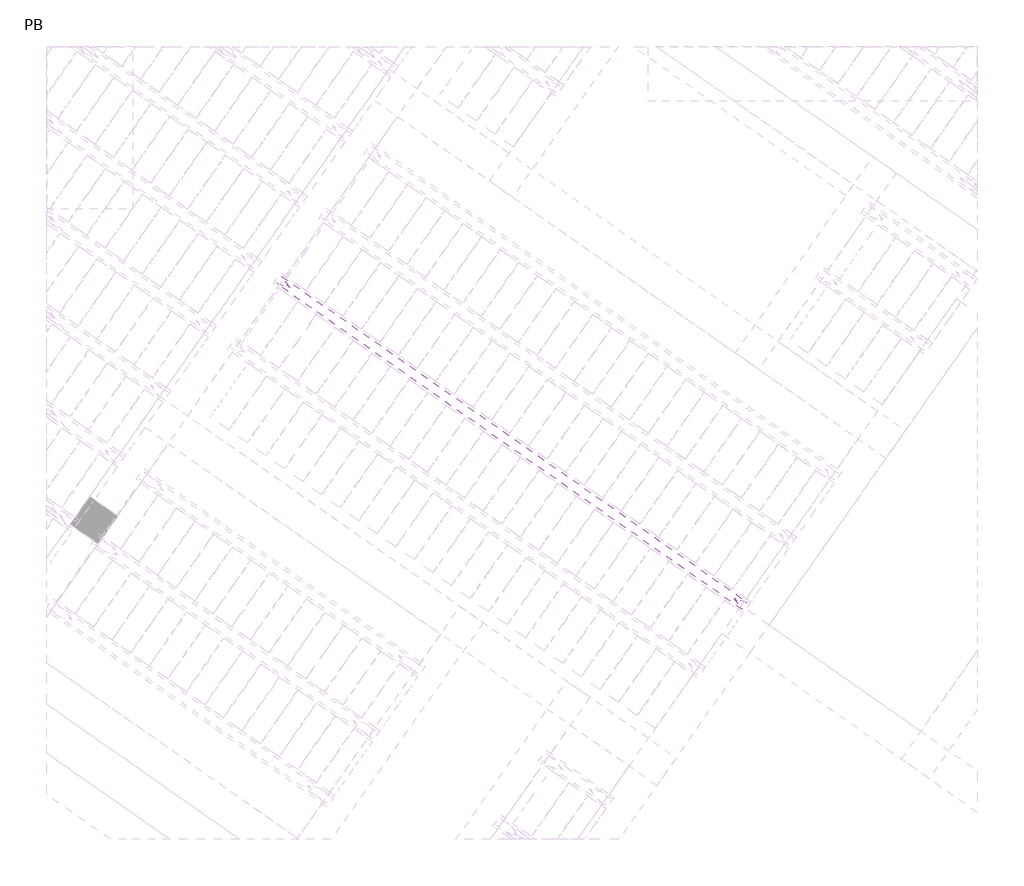
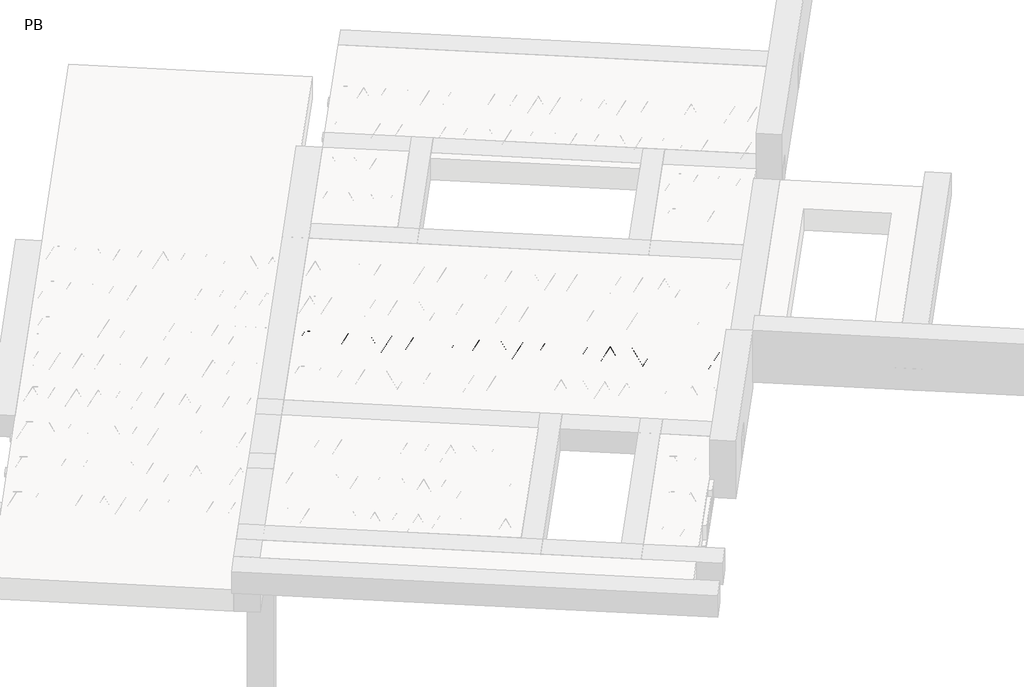
# One storey, part 21 of 56: 2 beams.
"""IFC4 building model written with IfcOpenShell, lengths in millimetres."""

from ifc_helpers import new_model, si_unit, point, frame, origin, origin_2d, place, context, project, spatial, polyline, circle_curve, trimmed, segment, composite_curve, outline, extrude, element, save

model = new_model("IFC4")

# Units and contexts
model_context = context("Model", 3, world=origin())
ifc_project = project(units=[si_unit("LENGTHUNIT", "METRE", prefix="MILLI")], contexts=[model_context])

# Site, building, storey
site = spatial("IfcSite", under=ifc_project)
building = spatial("IfcBuilding", under=site)
storey = spatial("IfcBuildingStorey", under=building, Name="PB", Elevation=95940.0)

# Beams
placement = place(None, origin())
element("IfcBeam", 1, at=placement, inside=storey, context=model_context, shape_type="SweptSolid", body=[
    extrude(outline(polyline([(3726.9826, 4349.0983498), (3795.8117724, 4447.3965951), (7945.2707155, 1541.9141634), (7876.4415431, 1443.6159181), (3726.9826, 4349.0983498)])), frame((0.0, 0.0, 99220.0), z_axis=(0.0, 0.0, 1.0), x_axis=(1.0, 0.0, 0.0)), (0.0, 0.0, 1.0), 50.0),
])
element("IfcBeam", 2, at=placement, inside=storey, context=model_context, shape_type="SweptSolid", body=[
    extrude(outline(composite_curve([segment(trimmed(circle_curve(origin_2d(), 2.5), [point((-2.5, 0.0))], [point((2.4999999, 0.0))], False, "CARTESIAN"), True, "CONTINUOUS"), segment(trimmed(circle_curve(origin_2d(), 2.5), [point((2.4999999, 0.0))], [point((-2.5, 0.0))], False, "CARTESIAN"), True, "CONTINUOUS")], self_intersect=False)), frame((7870.5477286, 1477.0414016, 99245.0), z_axis=(-0.8191520442696126, 0.5735764363787226, 0.0), x_axis=(0.5735764363787226, 0.8191520442696126, 0.0)), (0.0, 0.0, 1.0), 5017.554035),
    extrude(outline(composite_curve([segment(trimmed(circle_curve(origin_2d(), 2.5), [point((-2.5, 0.0))], [point((2.5, 0.0))], False, "CARTESIAN"), True, "CONTINUOUS"), segment(trimmed(circle_curve(origin_2d(), 2.5), [point((2.5, 0.0))], [point((-2.5, 0.0))], False, "CARTESIAN"), True, "CONTINUOUS")], self_intersect=False)), frame((7822.5703652, 1554.5833983, 99470.0), z_axis=(-0.8191520442696126, 0.5735764363787226, 0.0), x_axis=(0.5735764363787226, 0.8191520442696126, 0.0)), (0.0, 0.0, 1.0), 4850.0),
    extrude(outline(composite_curve([segment(trimmed(circle_curve(origin_2d(), 2.5), [point((-2.5, 0.0))], [point((2.5, 0.0))], False, "CARTESIAN"), True, "CONTINUOUS"), segment(trimmed(circle_curve(origin_2d(), 2.5), [point((2.5, 0.0))], [point((-2.5, 0.0))], False, "CARTESIAN"), True, "CONTINUOUS")], self_intersect=False)), frame((7863.3580168, 1482.075692, 99245.0), z_axis=(-0.3145304735701046, 0.38933448886848654, 0.8657304643902053), x_axis=(0.7778747638402499, 0.6284193279813057, 0.0)), (0.0, 0.0, 1.0), 259.8961331),
    extrude(outline(composite_curve([segment(trimmed(circle_curve(origin_2d(), 2.5), [point((2.5, 0.0))], [point((-2.5, 1e-07))], False, "CARTESIAN"), True, "CONTINUOUS"), segment(trimmed(circle_curve(origin_2d(), 2.5), [point((-2.5, 1e-07))], [point((2.5, 0.0))], False, "CARTESIAN"), True, "CONTINUOUS")], self_intersect=False)), frame((7658.5700057, 1625.4698011, 99245.0), z_axis=(0.47343050384693375, -0.16240172737369005, 0.8657304643902051), x_axis=(-0.3244721671091268, -0.9458952440791246, 0.0)), (0.0, 0.0, 1.0), 259.8961331),
    extrude(outline(composite_curve([segment(trimmed(circle_curve(origin_2d(), 2.5), [point((-2.5, 0.0))], [point((2.5, 0.0))], False, "CARTESIAN"), True, "CONTINUOUS"), segment(trimmed(circle_curve(origin_2d(), 2.5), [point((2.5, 0.0))], [point((-2.5, 0.0))], False, "CARTESIAN"), True, "CONTINUOUS")], self_intersect=False)), frame((7658.5700057, 1625.4698011, 99245.0), z_axis=(-0.3145304735701046, 0.38933448886848654, 0.8657304643902053), x_axis=(0.7778747638402499, 0.6284193279813057, 0.0)), (0.0, 0.0, 1.0), 259.8961331),
    extrude(outline(composite_curve([segment(trimmed(circle_curve(origin_2d(), 2.5), [point((2.5, 0.0))], [point((-2.5, 0.0))], False, "CARTESIAN"), True, "CONTINUOUS"), segment(trimmed(circle_curve(origin_2d(), 2.5), [point((-2.5, 0.0))], [point((2.5, 0.0))], False, "CARTESIAN"), True, "CONTINUOUS")], self_intersect=False)), frame((7453.7819947, 1768.8639102, 99245.0), z_axis=(0.47343050384693375, -0.16240172737369005, 0.8657304643902051), x_axis=(-0.3244721671091268, -0.9458952440791246, 0.0)), (0.0, 0.0, 1.0), 259.8961331),
    extrude(outline(composite_curve([segment(trimmed(circle_curve(origin_2d(), 2.5), [point((-2.5, 0.0))], [point((2.5, 0.0))], False, "CARTESIAN"), True, "CONTINUOUS"), segment(trimmed(circle_curve(origin_2d(), 2.5), [point((2.5, 0.0))], [point((-2.5, 0.0))], False, "CARTESIAN"), True, "CONTINUOUS")], self_intersect=False)), frame((7453.7819947, 1768.8639102, 99245.0), z_axis=(-0.3145304735701046, 0.38933448886848654, 0.8657304643902053), x_axis=(0.7778747638402499, 0.6284193279813057, 0.0)), (0.0, 0.0, 1.0), 259.8961331),
    extrude(outline(composite_curve([segment(trimmed(circle_curve(origin_2d(), 2.5), [point((2.5, 0.0))], [point((-2.5, 0.0))], False, "CARTESIAN"), True, "CONTINUOUS"), segment(trimmed(circle_curve(origin_2d(), 2.5), [point((-2.5, 0.0))], [point((2.5, 0.0))], False, "CARTESIAN"), True, "CONTINUOUS")], self_intersect=False)), frame((7248.9939836, 1912.2580193, 99245.0), z_axis=(0.47343050384693375, -0.16240172737369005, 0.8657304643902051), x_axis=(-0.3244721671091268, -0.9458952440791246, 0.0)), (0.0, 0.0, 1.0), 259.8961331),
    extrude(outline(composite_curve([segment(trimmed(circle_curve(origin_2d(), 2.5), [point((-2.5, 0.0))], [point((2.5, 0.0))], False, "CARTESIAN"), True, "CONTINUOUS"), segment(trimmed(circle_curve(origin_2d(), 2.5), [point((2.5, 0.0))], [point((-2.5, 0.0))], False, "CARTESIAN"), True, "CONTINUOUS")], self_intersect=False)), frame((7248.9939836, 1912.2580193, 99245.0), z_axis=(-0.3145304735701046, 0.38933448886848654, 0.8657304643902053), x_axis=(0.7778747638402499, 0.6284193279813057, 0.0)), (0.0, 0.0, 1.0), 259.8961331),
    extrude(outline(composite_curve([segment(trimmed(circle_curve(origin_2d(), 2.5), [point((2.5, 0.0))], [point((-2.5, 1e-07))], False, "CARTESIAN"), True, "CONTINUOUS"), segment(trimmed(circle_curve(origin_2d(), 2.5), [point((-2.5, 1e-07))], [point((2.5, 0.0))], False, "CARTESIAN"), True, "CONTINUOUS")], self_intersect=False)), frame((7044.2059725, 2055.6521284, 99245.0), z_axis=(0.47343050384693375, -0.16240172737369005, 0.8657304643902051), x_axis=(-0.3244721671091268, -0.9458952440791246, 0.0)), (0.0, 0.0, 1.0), 259.8961331),
    extrude(outline(composite_curve([segment(trimmed(circle_curve(origin_2d(), 2.5), [point((-2.5, 0.0))], [point((2.5, 1e-07))], False, "CARTESIAN"), True, "CONTINUOUS"), segment(trimmed(circle_curve(origin_2d(), 2.5), [point((2.5, 1e-07))], [point((-2.5, 0.0))], False, "CARTESIAN"), True, "CONTINUOUS")], self_intersect=False)), frame((7044.2059729, 2055.6521281, 99245.0), z_axis=(-0.3145304735701046, 0.38933448886848654, 0.8657304643902053), x_axis=(0.7778747638402499, 0.6284193279813057, 0.0)), (0.0, 0.0, 1.0), 259.8961331),
    extrude(outline(composite_curve([segment(trimmed(circle_curve(origin_2d(), 2.5), [point((2.5, 0.0))], [point((-2.5, 0.0))], False, "CARTESIAN"), True, "CONTINUOUS"), segment(trimmed(circle_curve(origin_2d(), 2.5), [point((-2.5, 0.0))], [point((2.5, 0.0))], False, "CARTESIAN"), True, "CONTINUOUS")], self_intersect=False)), frame((6839.4179618, 2199.0462372, 99245.0), z_axis=(0.47343050384693375, -0.16240172737369005, 0.8657304643902051), x_axis=(-0.3244721671091268, -0.9458952440791246, 0.0)), (0.0, 0.0, 1.0), 259.8961331),
    extrude(outline(composite_curve([segment(trimmed(circle_curve(origin_2d(), 2.5), [point((-2.5, 0.0))], [point((2.5, 1e-07))], False, "CARTESIAN"), True, "CONTINUOUS"), segment(trimmed(circle_curve(origin_2d(), 2.5), [point((2.5, 1e-07))], [point((-2.5, 0.0))], False, "CARTESIAN"), True, "CONTINUOUS")], self_intersect=False)), frame((6839.4179618, 2199.0462372, 99245.0), z_axis=(-0.3145304735701046, 0.38933448886848654, 0.8657304643902053), x_axis=(0.7778747638402499, 0.6284193279813057, 0.0)), (0.0, 0.0, 1.0), 259.8961331),
    extrude(outline(composite_curve([segment(trimmed(circle_curve(origin_2d(), 2.5), [point((2.5, 0.0))], [point((-2.5, 0.0))], False, "CARTESIAN"), True, "CONTINUOUS"), segment(trimmed(circle_curve(origin_2d(), 2.5), [point((-2.5, 0.0))], [point((2.5, 0.0))], False, "CARTESIAN"), True, "CONTINUOUS")], self_intersect=False)), frame((6634.6299507, 2342.4403463, 99245.0), z_axis=(0.47343050384693375, -0.16240172737369005, 0.8657304643902051), x_axis=(-0.3244721671091268, -0.9458952440791246, 0.0)), (0.0, 0.0, 1.0), 259.8961331),
    extrude(outline(composite_curve([segment(trimmed(circle_curve(origin_2d(), 2.5), [point((-2.5, 0.0))], [point((2.5, 0.0))], False, "CARTESIAN"), True, "CONTINUOUS"), segment(trimmed(circle_curve(origin_2d(), 2.5), [point((2.5, 0.0))], [point((-2.5, 0.0))], False, "CARTESIAN"), True, "CONTINUOUS")], self_intersect=False)), frame((6634.6299507, 2342.4403463, 99245.0), z_axis=(-0.3145304735701046, 0.38933448886848654, 0.8657304643902053), x_axis=(0.7778747638402499, 0.6284193279813057, 0.0)), (0.0, 0.0, 1.0), 259.8961331),
    extrude(outline(composite_curve([segment(trimmed(circle_curve(origin_2d(), 2.5), [point((2.5, -1e-07))], [point((-2.5, 0.0))], False, "CARTESIAN"), True, "CONTINUOUS"), segment(trimmed(circle_curve(origin_2d(), 2.5), [point((-2.5, 0.0))], [point((2.5, -1e-07))], False, "CARTESIAN"), True, "CONTINUOUS")], self_intersect=False)), frame((6429.8419397, 2485.8344554, 99245.0), z_axis=(0.47343050384693375, -0.16240172737369005, 0.8657304643902051), x_axis=(-0.3244721671091268, -0.9458952440791246, 0.0)), (0.0, 0.0, 1.0), 259.8961331),
    extrude(outline(composite_curve([segment(trimmed(circle_curve(origin_2d(), 2.5), [point((-2.5, 0.0))], [point((2.5, 0.0))], False, "CARTESIAN"), True, "CONTINUOUS"), segment(trimmed(circle_curve(origin_2d(), 2.5), [point((2.5, 0.0))], [point((-2.5, 0.0))], False, "CARTESIAN"), True, "CONTINUOUS")], self_intersect=False)), frame((6429.8419397, 2485.8344554, 99245.0), z_axis=(-0.3145304735701046, 0.38933448886848654, 0.8657304643902053), x_axis=(0.7778747638402499, 0.6284193279813057, 0.0)), (0.0, 0.0, 1.0), 259.8961331),
    extrude(outline(composite_curve([segment(trimmed(circle_curve(origin_2d(), 2.5), [point((2.5, 0.0))], [point((-2.5, 0.0))], False, "CARTESIAN"), True, "CONTINUOUS"), segment(trimmed(circle_curve(origin_2d(), 2.5), [point((-2.5, 0.0))], [point((2.5, 0.0))], False, "CARTESIAN"), True, "CONTINUOUS")], self_intersect=False)), frame((6225.0539286, 2629.2285645, 99245.0), z_axis=(0.47343050384693375, -0.16240172737369005, 0.8657304643902051), x_axis=(-0.3244721671091268, -0.9458952440791246, 0.0)), (0.0, 0.0, 1.0), 259.8961331),
    extrude(outline(composite_curve([segment(trimmed(circle_curve(origin_2d(), 2.5), [point((-2.5, 0.0))], [point((2.5, 0.0))], False, "CARTESIAN"), True, "CONTINUOUS"), segment(trimmed(circle_curve(origin_2d(), 2.5), [point((2.5, 0.0))], [point((-2.5, 0.0))], False, "CARTESIAN"), True, "CONTINUOUS")], self_intersect=False)), frame((6225.0539286, 2629.2285645, 99245.0), z_axis=(-0.3145304735701046, 0.38933448886848654, 0.8657304643902053), x_axis=(0.7778747638402499, 0.6284193279813057, 0.0)), (0.0, 0.0, 1.0), 259.8961331),
    extrude(outline(composite_curve([segment(trimmed(circle_curve(origin_2d(), 2.5), [point((2.5, 0.0))], [point((-2.5, 0.0))], False, "CARTESIAN"), True, "CONTINUOUS"), segment(trimmed(circle_curve(origin_2d(), 2.5), [point((-2.5, 0.0))], [point((2.5, 0.0))], False, "CARTESIAN"), True, "CONTINUOUS")], self_intersect=False)), frame((6020.2659175, 2772.6226736, 99245.0), z_axis=(0.47343050384693375, -0.16240172737369005, 0.8657304643902051), x_axis=(-0.3244721671091268, -0.9458952440791246, 0.0)), (0.0, 0.0, 1.0), 259.8961331),
    extrude(outline(composite_curve([segment(trimmed(circle_curve(origin_2d(), 2.5), [point((-2.5, 0.0))], [point((2.5, 0.0))], False, "CARTESIAN"), True, "CONTINUOUS"), segment(trimmed(circle_curve(origin_2d(), 2.5), [point((2.5, 0.0))], [point((-2.5, 0.0))], False, "CARTESIAN"), True, "CONTINUOUS")], self_intersect=False)), frame((6020.2659175, 2772.6226736, 99245.0), z_axis=(-0.3145304735701046, 0.38933448886848654, 0.8657304643902053), x_axis=(0.7778747638402499, 0.6284193279813057, 0.0)), (0.0, 0.0, 1.0), 259.8961331),
    extrude(outline(composite_curve([segment(trimmed(circle_curve(origin_2d(), 2.5), [point((2.5, -1e-07))], [point((-2.5, 0.0))], False, "CARTESIAN"), True, "CONTINUOUS"), segment(trimmed(circle_curve(origin_2d(), 2.5), [point((-2.5, 0.0))], [point((2.5, -1e-07))], False, "CARTESIAN"), True, "CONTINUOUS")], self_intersect=False)), frame((5815.4779065, 2916.0167827, 99245.0), z_axis=(0.47343050384693375, -0.16240172737369005, 0.8657304643902051), x_axis=(-0.3244721671091268, -0.9458952440791246, 0.0)), (0.0, 0.0, 1.0), 259.8961331),
    extrude(outline(composite_curve([segment(trimmed(circle_curve(origin_2d(), 2.5), [point((-2.5000001, 1e-07))], [point((2.5, 0.0))], False, "CARTESIAN"), True, "CONTINUOUS"), segment(trimmed(circle_curve(origin_2d(), 2.5), [point((2.5, 0.0))], [point((-2.5000001, 1e-07))], False, "CARTESIAN"), True, "CONTINUOUS")], self_intersect=False)), frame((5815.4779065, 2916.0167827, 99245.0), z_axis=(-0.3145304735701046, 0.38933448886848654, 0.8657304643902053), x_axis=(0.7778747638402499, 0.6284193279813057, 0.0)), (0.0, 0.0, 1.0), 259.8961331),
    extrude(outline(composite_curve([segment(trimmed(circle_curve(origin_2d(), 2.5), [point((2.5, 0.0))], [point((-2.5, 0.0))], False, "CARTESIAN"), True, "CONTINUOUS"), segment(trimmed(circle_curve(origin_2d(), 2.5), [point((-2.5, 0.0))], [point((2.5, 0.0))], False, "CARTESIAN"), True, "CONTINUOUS")], self_intersect=False)), frame((5610.6898954, 3059.4108918, 99245.0), z_axis=(0.47343050384693375, -0.16240172737369005, 0.8657304643902051), x_axis=(-0.3244721671091268, -0.9458952440791246, 0.0)), (0.0, 0.0, 1.0), 259.8961331),
    extrude(outline(composite_curve([segment(trimmed(circle_curve(origin_2d(), 2.5), [point((-2.5, 0.0))], [point((2.5, 0.0))], False, "CARTESIAN"), True, "CONTINUOUS"), segment(trimmed(circle_curve(origin_2d(), 2.5), [point((2.5, 0.0))], [point((-2.5, 0.0))], False, "CARTESIAN"), True, "CONTINUOUS")], self_intersect=False)), frame((5610.6898954, 3059.4108918, 99245.0), z_axis=(-0.3145304735701046, 0.38933448886848654, 0.8657304643902053), x_axis=(0.7778747638402499, 0.6284193279813057, 0.0)), (0.0, 0.0, 1.0), 259.8961331),
    extrude(outline(composite_curve([segment(trimmed(circle_curve(origin_2d(), 2.5), [point((2.5, 0.0))], [point((-2.5, 0.0))], False, "CARTESIAN"), True, "CONTINUOUS"), segment(trimmed(circle_curve(origin_2d(), 2.5), [point((-2.5, 0.0))], [point((2.5, 0.0))], False, "CARTESIAN"), True, "CONTINUOUS")], self_intersect=False)), frame((5405.9018843, 3202.8050009, 99245.0), z_axis=(0.47343050384693375, -0.16240172737369005, 0.8657304643902051), x_axis=(-0.3244721671091268, -0.9458952440791246, 0.0)), (0.0, 0.0, 1.0), 259.8961331),
    extrude(outline(composite_curve([segment(trimmed(circle_curve(origin_2d(), 2.5), [point((-2.5, 0.0))], [point((2.5, 0.0))], False, "CARTESIAN"), True, "CONTINUOUS"), segment(trimmed(circle_curve(origin_2d(), 2.5), [point((2.5, 0.0))], [point((-2.5, 0.0))], False, "CARTESIAN"), True, "CONTINUOUS")], self_intersect=False)), frame((5405.9018843, 3202.8050009, 99245.0), z_axis=(-0.3145304735701046, 0.38933448886848654, 0.8657304643902053), x_axis=(0.7778747638402499, 0.6284193279813057, 0.0)), (0.0, 0.0, 1.0), 259.8961331),
    extrude(outline(composite_curve([segment(trimmed(circle_curve(origin_2d(), 2.5), [point((2.5, -1e-07))], [point((-2.5, 0.0))], False, "CARTESIAN"), True, "CONTINUOUS"), segment(trimmed(circle_curve(origin_2d(), 2.5), [point((-2.5, 0.0))], [point((2.5, -1e-07))], False, "CARTESIAN"), True, "CONTINUOUS")], self_intersect=False)), frame((5201.1138733, 3346.19911, 99245.0), z_axis=(0.47343050384693375, -0.16240172737369005, 0.8657304643902051), x_axis=(-0.3244721671091268, -0.9458952440791246, 0.0)), (0.0, 0.0, 1.0), 259.8961331),
    extrude(outline(composite_curve([segment(trimmed(circle_curve(origin_2d(), 2.5), [point((-2.5000001, 1e-07))], [point((2.5, 0.0))], False, "CARTESIAN"), True, "CONTINUOUS"), segment(trimmed(circle_curve(origin_2d(), 2.5), [point((2.5, 0.0))], [point((-2.5000001, 1e-07))], False, "CARTESIAN"), True, "CONTINUOUS")], self_intersect=False)), frame((5201.1138733, 3346.19911, 99245.0), z_axis=(-0.3145304735701046, 0.38933448886848654, 0.8657304643902053), x_axis=(0.7778747638402499, 0.6284193279813057, 0.0)), (0.0, 0.0, 1.0), 259.8961331),
    extrude(outline(composite_curve([segment(trimmed(circle_curve(origin_2d(), 2.5), [point((2.5, 0.0))], [point((-2.5, 0.0))], False, "CARTESIAN"), True, "CONTINUOUS"), segment(trimmed(circle_curve(origin_2d(), 2.5), [point((-2.5, 0.0))], [point((2.5, 0.0))], False, "CARTESIAN"), True, "CONTINUOUS")], self_intersect=False)), frame((4996.3258622, 3489.5932191, 99245.0), z_axis=(0.47343050384693375, -0.16240172737369005, 0.8657304643902051), x_axis=(-0.3244721671091268, -0.9458952440791246, 0.0)), (0.0, 0.0, 1.0), 259.8961331),
    extrude(outline(composite_curve([segment(trimmed(circle_curve(origin_2d(), 2.5), [point((-2.5, 0.0))], [point((2.5, 0.0))], False, "CARTESIAN"), True, "CONTINUOUS"), segment(trimmed(circle_curve(origin_2d(), 2.5), [point((2.5, 0.0))], [point((-2.5, 0.0))], False, "CARTESIAN"), True, "CONTINUOUS")], self_intersect=False)), frame((4996.3258622, 3489.5932191, 99245.0), z_axis=(-0.3145304735701046, 0.38933448886848654, 0.8657304643902053), x_axis=(0.7778747638402499, 0.6284193279813057, 0.0)), (0.0, 0.0, 1.0), 259.8961331),
    extrude(outline(composite_curve([segment(trimmed(circle_curve(origin_2d(), 2.5), [point((2.5, 0.0))], [point((-2.5, 0.0))], False, "CARTESIAN"), True, "CONTINUOUS"), segment(trimmed(circle_curve(origin_2d(), 2.5), [point((-2.5, 0.0))], [point((2.5, 0.0))], False, "CARTESIAN"), True, "CONTINUOUS")], self_intersect=False)), frame((4791.5378511, 3632.9873282, 99245.0), z_axis=(0.47343050384693375, -0.16240172737369005, 0.8657304643902051), x_axis=(-0.3244721671091268, -0.9458952440791246, 0.0)), (0.0, 0.0, 1.0), 259.8961331),
    extrude(outline(composite_curve([segment(trimmed(circle_curve(origin_2d(), 2.5), [point((-2.5, 0.0))], [point((2.5, 0.0))], False, "CARTESIAN"), True, "CONTINUOUS"), segment(trimmed(circle_curve(origin_2d(), 2.5), [point((2.5, 0.0))], [point((-2.5, 0.0))], False, "CARTESIAN"), True, "CONTINUOUS")], self_intersect=False)), frame((4791.5378511, 3632.9873282, 99245.0), z_axis=(-0.3145304735701046, 0.38933448886848654, 0.8657304643902053), x_axis=(0.7778747638402499, 0.6284193279813057, 0.0)), (0.0, 0.0, 1.0), 259.8961331),
    extrude(outline(composite_curve([segment(trimmed(circle_curve(origin_2d(), 2.5), [point((2.5, -1e-07))], [point((-2.5, 0.0))], False, "CARTESIAN"), True, "CONTINUOUS"), segment(trimmed(circle_curve(origin_2d(), 2.5), [point((-2.5, 0.0))], [point((2.5, -1e-07))], False, "CARTESIAN"), True, "CONTINUOUS")], self_intersect=False)), frame((4586.7498401, 3776.3814373, 99245.0), z_axis=(0.47343050384693375, -0.16240172737369005, 0.8657304643902051), x_axis=(-0.3244721671091268, -0.9458952440791246, 0.0)), (0.0, 0.0, 1.0), 259.8961331),
    extrude(outline(composite_curve([segment(trimmed(circle_curve(origin_2d(), 2.5), [point((-2.5000001, 1e-07))], [point((2.5, 0.0))], False, "CARTESIAN"), True, "CONTINUOUS"), segment(trimmed(circle_curve(origin_2d(), 2.5), [point((2.5, 0.0))], [point((-2.5000001, 1e-07))], False, "CARTESIAN"), True, "CONTINUOUS")], self_intersect=False)), frame((4586.7498401, 3776.3814373, 99245.0), z_axis=(-0.3145304735701046, 0.38933448886848654, 0.8657304643902053), x_axis=(0.7778747638402499, 0.6284193279813057, 0.0)), (0.0, 0.0, 1.0), 259.8961331),
    extrude(outline(composite_curve([segment(trimmed(circle_curve(origin_2d(), 2.5), [point((2.5, 0.0))], [point((-2.5, 0.0))], False, "CARTESIAN"), True, "CONTINUOUS"), segment(trimmed(circle_curve(origin_2d(), 2.5), [point((-2.5, 0.0))], [point((2.5, 0.0))], False, "CARTESIAN"), True, "CONTINUOUS")], self_intersect=False)), frame((4381.961829, 3919.7755464, 99245.0), z_axis=(0.47343050384693375, -0.16240172737369005, 0.8657304643902051), x_axis=(-0.3244721671091268, -0.9458952440791246, 0.0)), (0.0, 0.0, 1.0), 259.8961331),
    extrude(outline(composite_curve([segment(trimmed(circle_curve(origin_2d(), 2.5), [point((-2.5, -1e-07))], [point((2.5, 0.0))], False, "CARTESIAN"), True, "CONTINUOUS"), segment(trimmed(circle_curve(origin_2d(), 2.5), [point((2.5, 0.0))], [point((-2.5, -1e-07))], False, "CARTESIAN"), True, "CONTINUOUS")], self_intersect=False)), frame((4381.961829, 3919.7755464, 99245.0), z_axis=(-0.3145304735701046, 0.38933448886848654, 0.8657304643902053), x_axis=(0.7778747638402499, 0.6284193279813057, 0.0)), (0.0, 0.0, 1.0), 259.8961331),
    extrude(outline(composite_curve([segment(trimmed(circle_curve(origin_2d(), 2.5), [point((2.5, 0.0))], [point((-2.5, 0.0))], False, "CARTESIAN"), True, "CONTINUOUS"), segment(trimmed(circle_curve(origin_2d(), 2.5), [point((-2.5, 0.0))], [point((2.5, 0.0))], False, "CARTESIAN"), True, "CONTINUOUS")], self_intersect=False)), frame((4177.1738179, 4063.1696555, 99245.0), z_axis=(0.47343050384693375, -0.16240172737369005, 0.8657304643902051), x_axis=(-0.3244721671091268, -0.9458952440791246, 0.0)), (0.0, 0.0, 1.0), 259.8961331),
    extrude(outline(composite_curve([segment(trimmed(circle_curve(origin_2d(), 2.5), [point((-2.5, -1e-07))], [point((2.5, 0.0))], False, "CARTESIAN"), True, "CONTINUOUS"), segment(trimmed(circle_curve(origin_2d(), 2.5), [point((2.5, 0.0))], [point((-2.5, -1e-07))], False, "CARTESIAN"), True, "CONTINUOUS")], self_intersect=False)), frame((4177.1738179, 4063.1696555, 99245.0), z_axis=(-0.3145304735701046, 0.38933448886848654, 0.8657304643902053), x_axis=(0.7778747638402499, 0.6284193279813057, 0.0)), (0.0, 0.0, 1.0), 259.8961331),
    extrude(outline(composite_curve([segment(trimmed(circle_curve(origin_2d(), 2.5), [point((2.5000001, 0.0))], [point((-2.5, 0.0))], False, "CARTESIAN"), True, "CONTINUOUS"), segment(trimmed(circle_curve(origin_2d(), 2.5), [point((-2.5, 0.0))], [point((2.5000001, 0.0))], False, "CARTESIAN"), True, "CONTINUOUS")], self_intersect=False)), frame((3972.3858069, 4206.5637646, 99245.0), z_axis=(0.47343050384693375, -0.16240172737369005, 0.8657304643902051), x_axis=(-0.3244721671091268, -0.9458952440791246, 0.0)), (0.0, 0.0, 1.0), 259.8961331),
    extrude(outline(composite_curve([segment(trimmed(circle_curve(origin_2d(), 2.5), [point((-2.5000001, 0.0))], [point((2.5, 0.0))], False, "CARTESIAN"), True, "CONTINUOUS"), segment(trimmed(circle_curve(origin_2d(), 2.5), [point((2.5, 0.0))], [point((-2.5000001, 0.0))], False, "CARTESIAN"), True, "CONTINUOUS")], self_intersect=False)), frame((3972.3858069, 4206.5637646, 99245.0), z_axis=(-0.3145304735701046, 0.38933448886848654, 0.8657304643902053), x_axis=(0.7778747638402499, 0.6284193279813057, 0.0)), (0.0, 0.0, 1.0), 259.8961331),
    extrude(outline(composite_curve([segment(trimmed(circle_curve(origin_2d(), 2.5), [point((2.5000001, 0.0))], [point((-2.5, 0.0))], False, "CARTESIAN"), True, "CONTINUOUS"), segment(trimmed(circle_curve(origin_2d(), 2.5), [point((-2.5, 0.0))], [point((2.5000001, 0.0))], False, "CARTESIAN"), True, "CONTINUOUS")], self_intersect=False)), frame((3767.5977958, 4349.9578737, 99245.0), z_axis=(0.47343050384693375, -0.16240172737369005, 0.8657304643902051), x_axis=(-0.3244721671091268, -0.9458952440791246, 0.0)), (0.0, 0.0, 1.0), 259.8961331),
    extrude(outline(composite_curve([segment(trimmed(circle_curve(origin_2d(), 2.5), [point((-2.5, 0.0))], [point((2.5, 0.0))], False, "CARTESIAN"), True, "CONTINUOUS"), segment(trimmed(circle_curve(origin_2d(), 2.5), [point((2.5, 0.0))], [point((-2.5, 0.0))], False, "CARTESIAN"), True, "CONTINUOUS")], self_intersect=False)), frame((7911.845232, 1536.0203488, 99245.0), z_axis=(-0.8191520442696126, 0.5735764363787226, 0.0), x_axis=(0.5735764363787226, 0.8191520442696126, 0.0)), (0.0, 0.0, 1.0), 5017.554035),
    extrude(outline(composite_curve([segment(trimmed(circle_curve(origin_2d(), 2.5), [point((-2.5, 0.0))], [point((2.5, -1e-07))], False, "CARTESIAN"), True, "CONTINUOUS"), segment(trimmed(circle_curve(origin_2d(), 2.5), [point((2.5, -1e-07))], [point((-2.5, 0.0))], False, "CARTESIAN"), True, "CONTINUOUS")], self_intersect=False)), frame((7904.6555202, 1541.0546392, 99245.0), z_axis=(-0.47343050384693375, 0.16240172737369005, 0.8657304643902051), x_axis=(0.3244721671091268, 0.9458952440791246, 0.0)), (0.0, 0.0, 1.0), 259.8961331),
    extrude(outline(composite_curve([segment(trimmed(circle_curve(origin_2d(), 2.5), [point((2.5000001, 0.0))], [point((-2.5, 0.0))], False, "CARTESIAN"), True, "CONTINUOUS"), segment(trimmed(circle_curve(origin_2d(), 2.5), [point((-2.5, 0.0))], [point((2.5000001, 0.0))], False, "CARTESIAN"), True, "CONTINUOUS")], self_intersect=False)), frame((7699.8675092, 1684.4487483, 99245.0), z_axis=(0.3145304735701046, -0.38933448886848654, 0.8657304643902053), x_axis=(-0.7778747638402499, -0.6284193279813057, 0.0)), (0.0, 0.0, 1.0), 259.8961331),
    extrude(outline(composite_curve([segment(trimmed(circle_curve(origin_2d(), 2.5), [point((-2.5, 1e-07))], [point((2.5, 0.0))], False, "CARTESIAN"), True, "CONTINUOUS"), segment(trimmed(circle_curve(origin_2d(), 2.5), [point((2.5, 0.0))], [point((-2.5, 1e-07))], False, "CARTESIAN"), True, "CONTINUOUS")], self_intersect=False)), frame((7699.8675092, 1684.4487483, 99245.0), z_axis=(-0.47343050384693375, 0.16240172737369005, 0.8657304643902051), x_axis=(0.3244721671091268, 0.9458952440791246, 0.0)), (0.0, 0.0, 1.0), 259.8961331),
    extrude(outline(composite_curve([segment(trimmed(circle_curve(origin_2d(), 2.5), [point((2.5, 1e-07))], [point((-2.5, 0.0))], False, "CARTESIAN"), True, "CONTINUOUS"), segment(trimmed(circle_curve(origin_2d(), 2.5), [point((-2.5, 0.0))], [point((2.5, 1e-07))], False, "CARTESIAN"), True, "CONTINUOUS")], self_intersect=False)), frame((7495.0794981, 1827.8428574, 99245.0), z_axis=(0.3145304735701046, -0.38933448886848654, 0.8657304643902053), x_axis=(-0.7778747638402499, -0.6284193279813057, 0.0)), (0.0, 0.0, 1.0), 259.8961331),
    extrude(outline(composite_curve([segment(trimmed(circle_curve(origin_2d(), 2.5), [point((-2.5, 0.0))], [point((2.5, 0.0))], False, "CARTESIAN"), True, "CONTINUOUS"), segment(trimmed(circle_curve(origin_2d(), 2.5), [point((2.5, 0.0))], [point((-2.5, 0.0))], False, "CARTESIAN"), True, "CONTINUOUS")], self_intersect=False)), frame((7495.0794981, 1827.8428574, 99245.0), z_axis=(-0.47343050384693375, 0.16240172737369005, 0.8657304643902051), x_axis=(0.3244721671091268, 0.9458952440791246, 0.0)), (0.0, 0.0, 1.0), 259.8961331),
    extrude(outline(composite_curve([segment(trimmed(circle_curve(origin_2d(), 2.5), [point((2.5, 1e-07))], [point((-2.5, 0.0))], False, "CARTESIAN"), True, "CONTINUOUS"), segment(trimmed(circle_curve(origin_2d(), 2.5), [point((-2.5, 0.0))], [point((2.5, 1e-07))], False, "CARTESIAN"), True, "CONTINUOUS")], self_intersect=False)), frame((7290.291487, 1971.2369665, 99245.0), z_axis=(0.3145304735701046, -0.38933448886848654, 0.8657304643902053), x_axis=(-0.7778747638402499, -0.6284193279813057, 0.0)), (0.0, 0.0, 1.0), 259.8961331),
    extrude(outline(composite_curve([segment(trimmed(circle_curve(origin_2d(), 2.5), [point((-2.5000001, 0.0))], [point((2.5, 0.0))], False, "CARTESIAN"), True, "CONTINUOUS"), segment(trimmed(circle_curve(origin_2d(), 2.5), [point((2.5, 0.0))], [point((-2.5000001, 0.0))], False, "CARTESIAN"), True, "CONTINUOUS")], self_intersect=False)), frame((7290.291487, 1971.2369665, 99245.0), z_axis=(-0.47343050384693375, 0.16240172737369005, 0.8657304643902051), x_axis=(0.3244721671091268, 0.9458952440791246, 0.0)), (0.0, 0.0, 1.0), 259.8961331),
    extrude(outline(composite_curve([segment(trimmed(circle_curve(origin_2d(), 2.5), [point((2.5000001, 0.0))], [point((-2.5, 0.0))], False, "CARTESIAN"), True, "CONTINUOUS"), segment(trimmed(circle_curve(origin_2d(), 2.5), [point((-2.5, 0.0))], [point((2.5000001, 0.0))], False, "CARTESIAN"), True, "CONTINUOUS")], self_intersect=False)), frame((7085.503476, 2114.6310756, 99245.0), z_axis=(0.3145304735701046, -0.38933448886848654, 0.8657304643902053), x_axis=(-0.7778747638402499, -0.6284193279813057, 0.0)), (0.0, 0.0, 1.0), 259.8961331),
    extrude(outline(composite_curve([segment(trimmed(circle_curve(origin_2d(), 2.5), [point((-2.5, 0.0))], [point((2.5, 0.0))], False, "CARTESIAN"), True, "CONTINUOUS"), segment(trimmed(circle_curve(origin_2d(), 2.5), [point((2.5, 0.0))], [point((-2.5, 0.0))], False, "CARTESIAN"), True, "CONTINUOUS")], self_intersect=False)), frame((7085.5034763, 2114.6310753, 99245.0), z_axis=(-0.47343050384693375, 0.16240172737369005, 0.8657304643902051), x_axis=(0.3244721671091268, 0.9458952440791246, 0.0)), (0.0, 0.0, 1.0), 259.8961331),
    extrude(outline(composite_curve([segment(trimmed(circle_curve(origin_2d(), 2.5), [point((2.5, 0.0))], [point((-2.5, 0.0))], False, "CARTESIAN"), True, "CONTINUOUS"), segment(trimmed(circle_curve(origin_2d(), 2.5), [point((-2.5, 0.0))], [point((2.5, 0.0))], False, "CARTESIAN"), True, "CONTINUOUS")], self_intersect=False)), frame((6880.7154652, 2258.0251844, 99245.0), z_axis=(0.3145304735701046, -0.38933448886848654, 0.8657304643902053), x_axis=(-0.7778747638402499, -0.6284193279813057, 0.0)), (0.0, 0.0, 1.0), 259.8961331),
    extrude(outline(composite_curve([segment(trimmed(circle_curve(origin_2d(), 2.5), [point((-2.5, 0.0))], [point((2.5, 0.0))], False, "CARTESIAN"), True, "CONTINUOUS"), segment(trimmed(circle_curve(origin_2d(), 2.5), [point((2.5, 0.0))], [point((-2.5, 0.0))], False, "CARTESIAN"), True, "CONTINUOUS")], self_intersect=False)), frame((6880.7154652, 2258.0251844, 99245.0), z_axis=(-0.47343050384693375, 0.16240172737369005, 0.8657304643902051), x_axis=(0.3244721671091268, 0.9458952440791246, 0.0)), (0.0, 0.0, 1.0), 259.8961331),
    extrude(outline(composite_curve([segment(trimmed(circle_curve(origin_2d(), 2.5), [point((2.5, 0.0))], [point((-2.5000001, 1e-07))], False, "CARTESIAN"), True, "CONTINUOUS"), segment(trimmed(circle_curve(origin_2d(), 2.5), [point((-2.5000001, 1e-07))], [point((2.5, 0.0))], False, "CARTESIAN"), True, "CONTINUOUS")], self_intersect=False)), frame((6675.9274541, 2401.4192935, 99245.0), z_axis=(0.3145304735701046, -0.38933448886848654, 0.8657304643902053), x_axis=(-0.7778747638402499, -0.6284193279813057, 0.0)), (0.0, 0.0, 1.0), 259.8961331),
    extrude(outline(composite_curve([segment(trimmed(circle_curve(origin_2d(), 2.5), [point((-2.5, 0.0))], [point((2.5, -1e-07))], False, "CARTESIAN"), True, "CONTINUOUS"), segment(trimmed(circle_curve(origin_2d(), 2.5), [point((2.5, -1e-07))], [point((-2.5, 0.0))], False, "CARTESIAN"), True, "CONTINUOUS")], self_intersect=False)), frame((6675.9274541, 2401.4192935, 99245.0), z_axis=(-0.47343050384693375, 0.16240172737369005, 0.8657304643902051), x_axis=(0.3244721671091268, 0.9458952440791246, 0.0)), (0.0, 0.0, 1.0), 259.8961331),
    extrude(outline(composite_curve([segment(trimmed(circle_curve(origin_2d(), 2.5), [point((2.5, 0.0))], [point((-2.5, 0.0))], False, "CARTESIAN"), True, "CONTINUOUS"), segment(trimmed(circle_curve(origin_2d(), 2.5), [point((-2.5, 0.0))], [point((2.5, 0.0))], False, "CARTESIAN"), True, "CONTINUOUS")], self_intersect=False)), frame((6471.1394431, 2544.8134026, 99245.0), z_axis=(0.3145304735701046, -0.38933448886848654, 0.8657304643902053), x_axis=(-0.7778747638402499, -0.6284193279813057, 0.0)), (0.0, 0.0, 1.0), 259.8961331),
    extrude(outline(composite_curve([segment(trimmed(circle_curve(origin_2d(), 2.5), [point((-2.5, 0.0))], [point((2.5, 0.0))], False, "CARTESIAN"), True, "CONTINUOUS"), segment(trimmed(circle_curve(origin_2d(), 2.5), [point((2.5, 0.0))], [point((-2.5, 0.0))], False, "CARTESIAN"), True, "CONTINUOUS")], self_intersect=False)), frame((6471.1394431, 2544.8134026, 99245.0), z_axis=(-0.47343050384693375, 0.16240172737369005, 0.8657304643902051), x_axis=(0.3244721671091268, 0.9458952440791246, 0.0)), (0.0, 0.0, 1.0), 259.8961331),
    extrude(outline(composite_curve([segment(trimmed(circle_curve(origin_2d(), 2.5), [point((2.5, 0.0))], [point((-2.5, 0.0))], False, "CARTESIAN"), True, "CONTINUOUS"), segment(trimmed(circle_curve(origin_2d(), 2.5), [point((-2.5, 0.0))], [point((2.5, 0.0))], False, "CARTESIAN"), True, "CONTINUOUS")], self_intersect=False)), frame((6266.351432, 2688.2075117, 99245.0), z_axis=(0.3145304735701046, -0.38933448886848654, 0.8657304643902053), x_axis=(-0.7778747638402499, -0.6284193279813057, 0.0)), (0.0, 0.0, 1.0), 259.8961331),
    extrude(outline(composite_curve([segment(trimmed(circle_curve(origin_2d(), 2.5), [point((-2.5, 0.0))], [point((2.5, 0.0))], False, "CARTESIAN"), True, "CONTINUOUS"), segment(trimmed(circle_curve(origin_2d(), 2.5), [point((2.5, 0.0))], [point((-2.5, 0.0))], False, "CARTESIAN"), True, "CONTINUOUS")], self_intersect=False)), frame((6266.351432, 2688.2075117, 99245.0), z_axis=(-0.47343050384693375, 0.16240172737369005, 0.8657304643902051), x_axis=(0.3244721671091268, 0.9458952440791246, 0.0)), (0.0, 0.0, 1.0), 259.8961331),
    extrude(outline(composite_curve([segment(trimmed(circle_curve(origin_2d(), 2.5), [point((2.5, 0.0))], [point((-2.5000001, 1e-07))], False, "CARTESIAN"), True, "CONTINUOUS"), segment(trimmed(circle_curve(origin_2d(), 2.5), [point((-2.5000001, 1e-07))], [point((2.5, 0.0))], False, "CARTESIAN"), True, "CONTINUOUS")], self_intersect=False)), frame((6061.5634209, 2831.6016208, 99245.0), z_axis=(0.3145304735701046, -0.38933448886848654, 0.8657304643902053), x_axis=(-0.7778747638402499, -0.6284193279813057, 0.0)), (0.0, 0.0, 1.0), 259.8961331),
    extrude(outline(composite_curve([segment(trimmed(circle_curve(origin_2d(), 2.5), [point((-2.5, 0.0))], [point((2.5, -1e-07))], False, "CARTESIAN"), True, "CONTINUOUS"), segment(trimmed(circle_curve(origin_2d(), 2.5), [point((2.5, -1e-07))], [point((-2.5, 0.0))], False, "CARTESIAN"), True, "CONTINUOUS")], self_intersect=False)), frame((6061.5634209, 2831.6016208, 99245.0), z_axis=(-0.47343050384693375, 0.16240172737369005, 0.8657304643902051), x_axis=(0.3244721671091268, 0.9458952440791246, 0.0)), (0.0, 0.0, 1.0), 259.8961331),
    extrude(outline(composite_curve([segment(trimmed(circle_curve(origin_2d(), 2.5), [point((2.5, 0.0))], [point((-2.5, 0.0))], False, "CARTESIAN"), True, "CONTINUOUS"), segment(trimmed(circle_curve(origin_2d(), 2.5), [point((-2.5, 0.0))], [point((2.5, 0.0))], False, "CARTESIAN"), True, "CONTINUOUS")], self_intersect=False)), frame((5856.7754099, 2974.9957299, 99245.0), z_axis=(0.3145304735701046, -0.38933448886848654, 0.8657304643902053), x_axis=(-0.7778747638402499, -0.6284193279813057, 0.0)), (0.0, 0.0, 1.0), 259.8961331),
    extrude(outline(composite_curve([segment(trimmed(circle_curve(origin_2d(), 2.5), [point((-2.5, 0.0))], [point((2.5, 0.0))], False, "CARTESIAN"), True, "CONTINUOUS"), segment(trimmed(circle_curve(origin_2d(), 2.5), [point((2.5, 0.0))], [point((-2.5, 0.0))], False, "CARTESIAN"), True, "CONTINUOUS")], self_intersect=False)), frame((5856.7754099, 2974.9957299, 99245.0), z_axis=(-0.47343050384693375, 0.16240172737369005, 0.8657304643902051), x_axis=(0.3244721671091268, 0.9458952440791246, 0.0)), (0.0, 0.0, 1.0), 259.8961331),
    extrude(outline(composite_curve([segment(trimmed(circle_curve(origin_2d(), 2.5), [point((2.5, 0.0))], [point((-2.5, 0.0))], False, "CARTESIAN"), True, "CONTINUOUS"), segment(trimmed(circle_curve(origin_2d(), 2.5), [point((-2.5, 0.0))], [point((2.5, 0.0))], False, "CARTESIAN"), True, "CONTINUOUS")], self_intersect=False)), frame((5651.9873988, 3118.389839, 99245.0), z_axis=(0.3145304735701046, -0.38933448886848654, 0.8657304643902053), x_axis=(-0.7778747638402499, -0.6284193279813057, 0.0)), (0.0, 0.0, 1.0), 259.8961331),
    extrude(outline(composite_curve([segment(trimmed(circle_curve(origin_2d(), 2.5), [point((-2.5, 0.0))], [point((2.5, 0.0))], False, "CARTESIAN"), True, "CONTINUOUS"), segment(trimmed(circle_curve(origin_2d(), 2.5), [point((2.5, 0.0))], [point((-2.5, 0.0))], False, "CARTESIAN"), True, "CONTINUOUS")], self_intersect=False)), frame((5651.9873988, 3118.389839, 99245.0), z_axis=(-0.47343050384693375, 0.16240172737369005, 0.8657304643902051), x_axis=(0.3244721671091268, 0.9458952440791246, 0.0)), (0.0, 0.0, 1.0), 259.8961331),
    extrude(outline(composite_curve([segment(trimmed(circle_curve(origin_2d(), 2.5), [point((2.5, 0.0))], [point((-2.5000001, 1e-07))], False, "CARTESIAN"), True, "CONTINUOUS"), segment(trimmed(circle_curve(origin_2d(), 2.5), [point((-2.5000001, 1e-07))], [point((2.5, 0.0))], False, "CARTESIAN"), True, "CONTINUOUS")], self_intersect=False)), frame((5447.1993877, 3261.7839481, 99245.0), z_axis=(0.3145304735701046, -0.38933448886848654, 0.8657304643902053), x_axis=(-0.7778747638402499, -0.6284193279813057, 0.0)), (0.0, 0.0, 1.0), 259.8961331),
    extrude(outline(composite_curve([segment(trimmed(circle_curve(origin_2d(), 2.5), [point((-2.5, 0.0))], [point((2.5, -1e-07))], False, "CARTESIAN"), True, "CONTINUOUS"), segment(trimmed(circle_curve(origin_2d(), 2.5), [point((2.5, -1e-07))], [point((-2.5, 0.0))], False, "CARTESIAN"), True, "CONTINUOUS")], self_intersect=False)), frame((5447.1993877, 3261.7839481, 99245.0), z_axis=(-0.47343050384693375, 0.16240172737369005, 0.8657304643902051), x_axis=(0.3244721671091268, 0.9458952440791246, 0.0)), (0.0, 0.0, 1.0), 259.8961331),
    extrude(outline(composite_curve([segment(trimmed(circle_curve(origin_2d(), 2.5), [point((2.5, 0.0))], [point((-2.5, 0.0))], False, "CARTESIAN"), True, "CONTINUOUS"), segment(trimmed(circle_curve(origin_2d(), 2.5), [point((-2.5, 0.0))], [point((2.5, 0.0))], False, "CARTESIAN"), True, "CONTINUOUS")], self_intersect=False)), frame((5242.4113767, 3405.1780572, 99245.0), z_axis=(0.3145304735701046, -0.38933448886848654, 0.8657304643902053), x_axis=(-0.7778747638402499, -0.6284193279813057, 0.0)), (0.0, 0.0, 1.0), 259.8961331),
    extrude(outline(composite_curve([segment(trimmed(circle_curve(origin_2d(), 2.5), [point((-2.5, 0.0))], [point((2.5, 0.0))], False, "CARTESIAN"), True, "CONTINUOUS"), segment(trimmed(circle_curve(origin_2d(), 2.5), [point((2.5, 0.0))], [point((-2.5, 0.0))], False, "CARTESIAN"), True, "CONTINUOUS")], self_intersect=False)), frame((5242.4113767, 3405.1780572, 99245.0), z_axis=(-0.47343050384693375, 0.16240172737369005, 0.8657304643902051), x_axis=(0.3244721671091268, 0.9458952440791246, 0.0)), (0.0, 0.0, 1.0), 259.8961331),
    extrude(outline(composite_curve([segment(trimmed(circle_curve(origin_2d(), 2.5), [point((2.5, 1e-07))], [point((-2.5, 0.0))], False, "CARTESIAN"), True, "CONTINUOUS"), segment(trimmed(circle_curve(origin_2d(), 2.5), [point((-2.5, 0.0))], [point((2.5, 1e-07))], False, "CARTESIAN"), True, "CONTINUOUS")], self_intersect=False)), frame((5037.6233656, 3548.5721663, 99245.0), z_axis=(0.3145304735701046, -0.38933448886848654, 0.8657304643902053), x_axis=(-0.7778747638402499, -0.6284193279813057, 0.0)), (0.0, 0.0, 1.0), 259.8961331),
    extrude(outline(composite_curve([segment(trimmed(circle_curve(origin_2d(), 2.5), [point((-2.5, 0.0))], [point((2.5, 0.0))], False, "CARTESIAN"), True, "CONTINUOUS"), segment(trimmed(circle_curve(origin_2d(), 2.5), [point((2.5, 0.0))], [point((-2.5, 0.0))], False, "CARTESIAN"), True, "CONTINUOUS")], self_intersect=False)), frame((5037.6233656, 3548.5721663, 99245.0), z_axis=(-0.47343050384693375, 0.16240172737369005, 0.8657304643902051), x_axis=(0.3244721671091268, 0.9458952440791246, 0.0)), (0.0, 0.0, 1.0), 259.8961331),
    extrude(outline(composite_curve([segment(trimmed(circle_curve(origin_2d(), 2.5), [point((2.5, 1e-07))], [point((-2.5000001, 1e-07))], False, "CARTESIAN"), True, "CONTINUOUS"), segment(trimmed(circle_curve(origin_2d(), 2.5), [point((-2.5000001, 1e-07))], [point((2.5, 1e-07))], False, "CARTESIAN"), True, "CONTINUOUS")], self_intersect=False)), frame((4832.8353545, 3691.9662754, 99245.0), z_axis=(0.3145304735701046, -0.38933448886848654, 0.8657304643902053), x_axis=(-0.7778747638402499, -0.6284193279813057, 0.0)), (0.0, 0.0, 1.0), 259.8961331),
    extrude(outline(composite_curve([segment(trimmed(circle_curve(origin_2d(), 2.5), [point((-2.5, 0.0))], [point((2.5, -1e-07))], False, "CARTESIAN"), True, "CONTINUOUS"), segment(trimmed(circle_curve(origin_2d(), 2.5), [point((2.5, -1e-07))], [point((-2.5, 0.0))], False, "CARTESIAN"), True, "CONTINUOUS")], self_intersect=False)), frame((4832.8353545, 3691.9662754, 99245.0), z_axis=(-0.47343050384693375, 0.16240172737369005, 0.8657304643902051), x_axis=(0.3244721671091268, 0.9458952440791246, 0.0)), (0.0, 0.0, 1.0), 259.8961331),
    extrude(outline(composite_curve([segment(trimmed(circle_curve(origin_2d(), 2.5), [point((2.5, 1e-07))], [point((-2.5, 0.0))], False, "CARTESIAN"), True, "CONTINUOUS"), segment(trimmed(circle_curve(origin_2d(), 2.5), [point((-2.5, 0.0))], [point((2.5, 1e-07))], False, "CARTESIAN"), True, "CONTINUOUS")], self_intersect=False)), frame((4628.0473435, 3835.3603845, 99245.0), z_axis=(0.3145304735701046, -0.38933448886848654, 0.8657304643902053), x_axis=(-0.7778747638402499, -0.6284193279813057, 0.0)), (0.0, 0.0, 1.0), 259.8961331),
    extrude(outline(composite_curve([segment(trimmed(circle_curve(origin_2d(), 2.5), [point((-2.5, 0.0))], [point((2.5, 0.0))], False, "CARTESIAN"), True, "CONTINUOUS"), segment(trimmed(circle_curve(origin_2d(), 2.5), [point((2.5, 0.0))], [point((-2.5, 0.0))], False, "CARTESIAN"), True, "CONTINUOUS")], self_intersect=False)), frame((4628.0473435, 3835.3603845, 99245.0), z_axis=(-0.47343050384693375, 0.16240172737369005, 0.8657304643902051), x_axis=(0.3244721671091268, 0.9458952440791246, 0.0)), (0.0, 0.0, 1.0), 259.8961331),
    extrude(outline(composite_curve([segment(trimmed(circle_curve(origin_2d(), 2.5), [point((2.5, 1e-07))], [point((-2.5, 0.0))], False, "CARTESIAN"), True, "CONTINUOUS"), segment(trimmed(circle_curve(origin_2d(), 2.5), [point((-2.5, 0.0))], [point((2.5, 1e-07))], False, "CARTESIAN"), True, "CONTINUOUS")], self_intersect=False)), frame((4423.2593324, 3978.7544936, 99245.0), z_axis=(0.3145304735701046, -0.38933448886848654, 0.8657304643902053), x_axis=(-0.7778747638402499, -0.6284193279813057, 0.0)), (0.0, 0.0, 1.0), 259.8961331),
    extrude(outline(composite_curve([segment(trimmed(circle_curve(origin_2d(), 2.5), [point((-2.5000001, 0.0))], [point((2.5, 0.0))], False, "CARTESIAN"), True, "CONTINUOUS"), segment(trimmed(circle_curve(origin_2d(), 2.5), [point((2.5, 0.0))], [point((-2.5000001, 0.0))], False, "CARTESIAN"), True, "CONTINUOUS")], self_intersect=False)), frame((4423.2593324, 3978.7544936, 99245.0), z_axis=(-0.47343050384693375, 0.16240172737369005, 0.8657304643902051), x_axis=(0.3244721671091268, 0.9458952440791246, 0.0)), (0.0, 0.0, 1.0), 259.8961331),
    extrude(outline(composite_curve([segment(trimmed(circle_curve(origin_2d(), 2.5), [point((2.5, 0.0))], [point((-2.5, -1e-07))], False, "CARTESIAN"), True, "CONTINUOUS"), segment(trimmed(circle_curve(origin_2d(), 2.5), [point((-2.5, -1e-07))], [point((2.5, 0.0))], False, "CARTESIAN"), True, "CONTINUOUS")], self_intersect=False)), frame((4218.4713213, 4122.1486026, 99245.0), z_axis=(0.3145304735701046, -0.38933448886848654, 0.8657304643902053), x_axis=(-0.7778747638402499, -0.6284193279813057, 0.0)), (0.0, 0.0, 1.0), 259.8961331),
    extrude(outline(composite_curve([segment(trimmed(circle_curve(origin_2d(), 2.5), [point((-2.5, 0.0))], [point((2.5000001, 0.0))], False, "CARTESIAN"), True, "CONTINUOUS"), segment(trimmed(circle_curve(origin_2d(), 2.5), [point((2.5000001, 0.0))], [point((-2.5, 0.0))], False, "CARTESIAN"), True, "CONTINUOUS")], self_intersect=False)), frame((4218.4713213, 4122.1486026, 99245.0), z_axis=(-0.47343050384693375, 0.16240172737369005, 0.8657304643902051), x_axis=(0.3244721671091268, 0.9458952440791246, 0.0)), (0.0, 0.0, 1.0), 259.8961331),
    extrude(outline(composite_curve([segment(trimmed(circle_curve(origin_2d(), 2.5), [point((2.5, 0.0))], [point((-2.5, -1e-07))], False, "CARTESIAN"), True, "CONTINUOUS"), segment(trimmed(circle_curve(origin_2d(), 2.5), [point((-2.5, -1e-07))], [point((2.5, 0.0))], False, "CARTESIAN"), True, "CONTINUOUS")], self_intersect=False)), frame((4013.6833103, 4265.5427117, 99245.0), z_axis=(0.3145304735701046, -0.38933448886848654, 0.8657304643902053), x_axis=(-0.7778747638402499, -0.6284193279813057, 0.0)), (0.0, 0.0, 1.0), 259.8961331),
    extrude(outline(composite_curve([segment(trimmed(circle_curve(origin_2d(), 2.5), [point((-2.5, 0.0))], [point((2.5000001, 0.0))], False, "CARTESIAN"), True, "CONTINUOUS"), segment(trimmed(circle_curve(origin_2d(), 2.5), [point((2.5000001, 0.0))], [point((-2.5, 0.0))], False, "CARTESIAN"), True, "CONTINUOUS")], self_intersect=False)), frame((4013.6833103, 4265.5427117, 99245.0), z_axis=(-0.47343050384693375, 0.16240172737369005, 0.8657304643902051), x_axis=(0.3244721671091268, 0.9458952440791246, 0.0)), (0.0, 0.0, 1.0), 259.8961331),
    extrude(outline(composite_curve([segment(trimmed(circle_curve(origin_2d(), 2.5), [point((2.5, 0.0))], [point((-2.5, -1e-07))], False, "CARTESIAN"), True, "CONTINUOUS"), segment(trimmed(circle_curve(origin_2d(), 2.5), [point((-2.5, -1e-07))], [point((2.5, 0.0))], False, "CARTESIAN"), True, "CONTINUOUS")], self_intersect=False)), frame((3808.8952992, 4408.9368208, 99245.0), z_axis=(0.3145304735701046, -0.38933448886848654, 0.8657304643902053), x_axis=(-0.7778747638402499, -0.6284193279813057, 0.0)), (0.0, 0.0, 1.0), 259.8961331),
])

save(model, "model.ifc")
